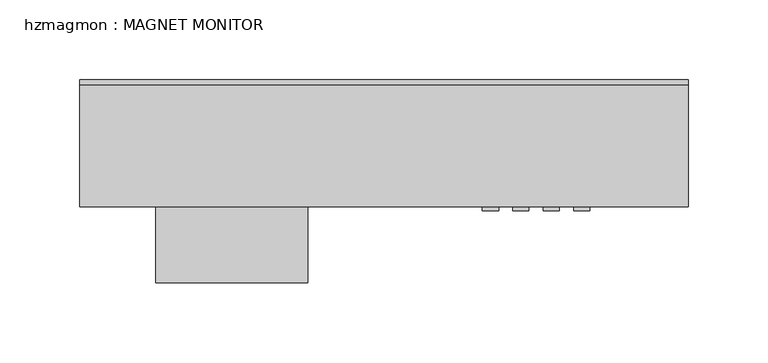
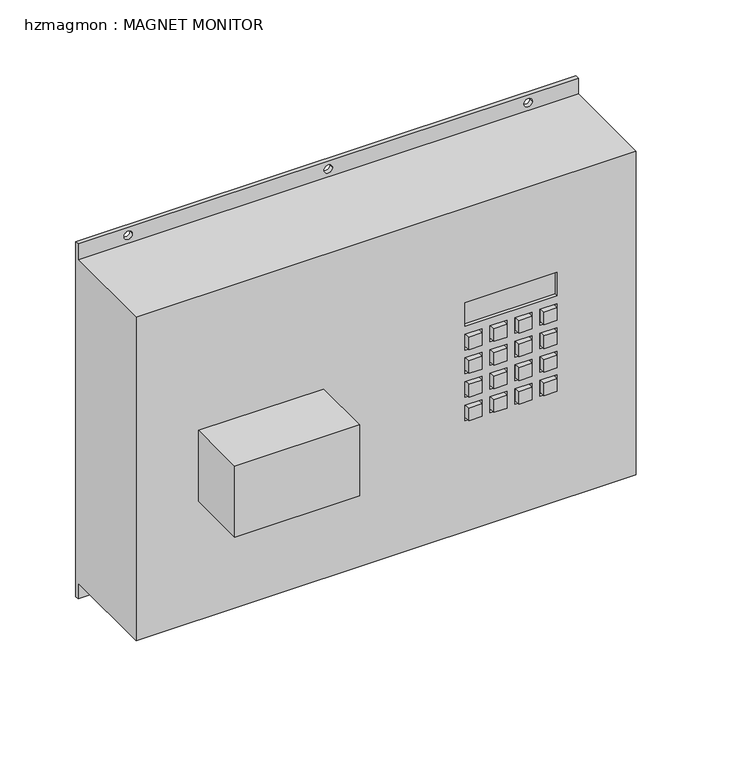
"""IFC4 building model written with IfcOpenShell, lengths in millimetres: proxy geometry, hzmagmon : MAGNET MONITOR."""

from ifc_helpers import new_model, si_unit, frame, origin, place, context, project, spatial, polyline, circle_curve, outline, extrude, source, transform, mapped, element, save
from ifc_brep_helpers import plane_surface, revolved_surface, advanced_brep


def hzmagmon_magnet_monitor_ca582a6c(model_context):
    return source(origin(), model_context, "Body", "SolidModel", [
        advanced_brep(
        [(190.5, 0.0, 1682.75), (190.5, -3.175, 1682.75), (190.5, -3.175, 1670.05), (190.5, -79.375, 1670.05), (190.5, -79.375, 1409.7), (190.5, -3.175, 1409.7), (190.5, -3.175, 1397.0), (190.5, 0.0, 1397.0), (-190.5, 0.0, 1682.75), (-190.5, 0.0, 1397.0), (-190.5, -3.175, 1397.0), (-190.5, -3.175, 1409.7), (-190.5, -79.375, 1409.7), (-190.5, -79.375, 1670.05), (-190.5, -3.175, 1670.05), (-190.5, -3.175, 1682.75), (-149.225, -3.175, 1676.4), (-155.575, -3.175, 1676.4), (3.175, -3.175, 1676.4), (-3.175, -3.175, 1676.4), (149.225, -3.175, 1676.4), (155.575, -3.175, 1676.4), (149.225, -3.175, 1403.35), (155.575, -3.175, 1403.35), (3.175, -3.175, 1403.35), (-3.175, -3.175, 1403.35), (-149.225, -3.175, 1403.35), (-155.575, -3.175, 1403.35), (-155.575, 0.0, 1676.4), (-149.225, 0.0, 1676.4), (-3.175, 0.0, 1676.4), (3.175, 0.0, 1676.4), (155.575, 0.0, 1676.4), (149.225, 0.0, 1676.4), (155.575, 0.0, 1403.35), (149.225, 0.0, 1403.35), (-3.175, 0.0, 1403.35), (3.175, 0.0, 1403.35), (-155.575, 0.0, 1403.35), (-149.225, 0.0, 1403.35), (130.175, -79.375, 1574.8), (60.325, -79.375, 1574.8), (60.325, -79.375, 1593.85), (130.175, -79.375, 1593.85), (73.025, -79.375, 1568.45), (73.025, -79.375, 1555.75), (60.325, -79.375, 1555.75), (60.325, -79.375, 1568.45), (79.375, -79.375, 1555.75), (79.375, -79.375, 1568.45), (92.075, -79.375, 1568.45), (92.075, -79.375, 1555.75), (98.425, -79.375, 1555.75), (98.425, -79.375, 1568.45), (111.125, -79.375, 1568.45), (111.125, -79.375, 1555.75), (117.475, -79.375, 1555.75), (117.475, -79.375, 1568.45), (130.175, -79.375, 1568.45), (130.175, -79.375, 1555.75), (117.475, -79.375, 1536.7), (117.475, -79.375, 1549.4), (130.175, -79.375, 1549.4), (130.175, -79.375, 1536.7), (111.125, -79.375, 1549.4), (111.125, -79.375, 1536.7), (98.425, -79.375, 1536.7), (98.425, -79.375, 1549.4), (92.075, -79.375, 1549.4), (92.075, -79.375, 1536.7), (79.375, -79.375, 1536.7), (79.375, -79.375, 1549.4), (73.025, -79.375, 1549.4), (73.025, -79.375, 1536.7), (60.325, -79.375, 1536.7), (60.325, -79.375, 1549.4), (73.025, -79.375, 1530.35), (73.025, -79.375, 1517.65), (60.325, -79.375, 1517.65), (60.325, -79.375, 1530.35), (73.025, -79.375, 1511.3), (73.025, -79.375, 1498.6), (60.325, -79.375, 1498.6), (60.325, -79.375, 1511.3), (79.375, -79.375, 1498.6), (79.375, -79.375, 1511.3), (92.075, -79.375, 1511.3), (92.075, -79.375, 1498.6), (98.425, -79.375, 1498.6), (98.425, -79.375, 1511.3), (111.125, -79.375, 1511.3), (111.125, -79.375, 1498.6), (92.075, -79.375, 1530.35), (92.075, -79.375, 1517.65), (79.375, -79.375, 1517.65), (79.375, -79.375, 1530.35), (98.425, -79.375, 1517.65), (98.425, -79.375, 1530.35), (111.125, -79.375, 1530.35), (111.125, -79.375, 1517.65), (117.475, -79.375, 1517.65), (117.475, -79.375, 1530.35), (130.175, -79.375, 1530.35), (130.175, -79.375, 1517.65), (117.475, -79.375, 1511.3), (130.175, -79.375, 1511.3), (130.175, -79.375, 1498.6), (117.475, -79.375, 1498.6), (-142.875, -79.375, 1562.1), (-47.625, -79.375, 1562.1), (-47.625, -79.375, 1504.95), (-142.875, -79.375, 1504.95), (60.325, -76.5525764, 1574.8), (130.175, -76.5525764, 1574.8), (130.175, -76.5525764, 1593.85), (60.325, -76.5525764, 1593.85), (73.025, -76.5525764, 1555.75), (73.025, -76.5525764, 1568.45), (60.325, -76.5525764, 1568.45), (60.325, -76.5525764, 1555.75), (79.375, -76.5525764, 1568.45), (79.375, -76.5525764, 1555.75), (92.075, -76.5525764, 1555.75), (92.075, -76.5525764, 1568.45), (98.425, -76.5525764, 1568.45), (98.425, -76.5525764, 1555.75), (111.125, -76.5525764, 1555.75), (111.125, -76.5525764, 1568.45), (117.475, -76.5525764, 1568.45), (117.475, -76.5525764, 1555.75), (130.175, -76.5525764, 1555.75), (130.175, -76.5525764, 1568.45), (117.475, -76.5525764, 1549.4), (117.475, -76.5525764, 1536.7), (130.175, -76.5525764, 1536.7), (130.175, -76.5525764, 1549.4), (111.125, -76.5525764, 1536.7), (111.125, -76.5525764, 1549.4), (98.425, -76.5525764, 1549.4), (98.425, -76.5525764, 1536.7), (92.075, -76.5525764, 1536.7), (92.075, -76.5525764, 1549.4), (79.375, -76.5525764, 1549.4), (79.375, -76.5525764, 1536.7), (73.025, -76.5525764, 1536.7), (73.025, -76.5525764, 1549.4), (60.325, -76.5525764, 1549.4), (60.325, -76.5525764, 1536.7), (73.025, -76.5525764, 1517.65), (73.025, -76.5525764, 1530.35), (60.325, -76.5525764, 1530.35), (60.325, -76.5525764, 1517.65), (73.025, -76.5525764, 1498.6), (73.025, -76.5525764, 1511.3), (60.325, -76.5525764, 1511.3), (60.325, -76.5525764, 1498.6), (79.375, -76.5525764, 1511.3), (79.375, -76.5525764, 1498.6), (92.075, -76.5525764, 1498.6), (92.075, -76.5525764, 1511.3), (98.425, -76.5525764, 1511.3), (98.425, -76.5525764, 1498.6), (111.125, -76.5525764, 1498.6), (111.125, -76.5525764, 1511.3), (92.075, -76.5525764, 1517.65), (92.075, -76.5525764, 1530.35), (79.375, -76.5525764, 1530.35), (79.375, -76.5525764, 1517.65), (98.425, -76.5525764, 1530.35), (98.425, -76.5525764, 1517.65), (111.125, -76.5525764, 1517.65), (111.125, -76.5525764, 1530.35), (117.475, -76.5525764, 1530.35), (117.475, -76.5525764, 1517.65), (130.175, -76.5525764, 1517.65), (130.175, -76.5525764, 1530.35), (130.175, -76.5525764, 1511.3), (117.475, -76.5525764, 1511.3), (117.475, -76.5525764, 1498.6), (130.175, -76.5525764, 1498.6), (-47.625, -127.0, 1562.1), (-142.875, -127.0, 1562.1), (-142.875, -127.0, 1504.95), (-47.625, -127.0, 1504.95)],
        [
            (0, 1),
            (1, 2),
            (2, 3),
            (3, 4),
            (4, 5),
            (5, 6),
            (6, 7),
            (7, 0),
            (8, 9),
            (9, 10),
            (10, 11),
            (11, 12),
            (12, 13),
            (13, 14),
            (14, 15),
            (15, 8),
            (0, 8),
            (15, 1),
            (14, 2),
            (16, 17, circle_curve(frame((-152.4, -3.175, 1676.4), z_axis=(0.0, 1.0, 0.0), x_axis=(1.0, 0.0, 0.0)), 3.175)),
            (17, 16, circle_curve(frame((-152.4, -3.175, 1676.4), z_axis=(0.0, 1.0, 0.0), x_axis=(1.0, 0.0, 0.0)), 3.175)),
            (18, 19, circle_curve(frame((0.0, -3.175, 1676.4), z_axis=(0.0, 1.0, 0.0), x_axis=(1.0, 0.0, 0.0)), 3.175)),
            (19, 18, circle_curve(frame((0.0, -3.175, 1676.4), z_axis=(0.0, 1.0, 0.0), x_axis=(1.0, 0.0, 0.0)), 3.175)),
            (20, 21, circle_curve(frame((152.4, -3.175, 1676.4), z_axis=(0.0, 1.0, 0.0), x_axis=(-1.0, 0.0, 0.0)), 3.175)),
            (21, 20, circle_curve(frame((152.4, -3.175, 1676.4), z_axis=(0.0, 1.0, 0.0), x_axis=(-1.0, 0.0, 0.0)), 3.175)),
            (10, 6),
            (5, 11),
            (22, 23, circle_curve(frame((152.4, -3.175, 1403.35), z_axis=(0.0, 1.0, 0.0), x_axis=(-1.0, 0.0, 0.0)), 3.175)),
            (23, 22, circle_curve(frame((152.4, -3.175, 1403.35), z_axis=(0.0, 1.0, 0.0), x_axis=(-1.0, 0.0, 0.0)), 3.175)),
            (24, 25, circle_curve(frame((0.0, -3.175, 1403.35), z_axis=(0.0, 1.0, 0.0), x_axis=(1.0, 0.0, 0.0)), 3.175)),
            (25, 24, circle_curve(frame((0.0, -3.175, 1403.35), z_axis=(0.0, 1.0, 0.0), x_axis=(1.0, 0.0, 0.0)), 3.175)),
            (26, 27, circle_curve(frame((-152.4, -3.175, 1403.35), z_axis=(0.0, 1.0, 0.0), x_axis=(1.0, 0.0, 0.0)), 3.175)),
            (27, 26, circle_curve(frame((-152.4, -3.175, 1403.35), z_axis=(0.0, 1.0, 0.0), x_axis=(1.0, 0.0, 0.0)), 3.175)),
            (9, 7),
            (28, 29, circle_curve(frame((-152.4, 0.0, 1676.4), z_axis=(0.0, -1.0, 0.0), x_axis=(1.0, 0.0, 0.0)), 3.175)),
            (29, 28, circle_curve(frame((-152.4, 0.0, 1676.4), z_axis=(0.0, -1.0, 0.0), x_axis=(1.0, 0.0, 0.0)), 3.175)),
            (30, 31, circle_curve(frame((0.0, 0.0, 1676.4), z_axis=(0.0, -1.0, 0.0), x_axis=(1.0, 0.0, 0.0)), 3.175)),
            (31, 30, circle_curve(frame((0.0, 0.0, 1676.4), z_axis=(0.0, -1.0, 0.0), x_axis=(1.0, 0.0, 0.0)), 3.175)),
            (32, 33, circle_curve(frame((152.4, 0.0, 1676.4), z_axis=(0.0, -1.0, 0.0), x_axis=(-1.0, 0.0, 0.0)), 3.175)),
            (33, 32, circle_curve(frame((152.4, 0.0, 1676.4), z_axis=(0.0, -1.0, 0.0), x_axis=(-1.0, 0.0, 0.0)), 3.175)),
            (34, 35, circle_curve(frame((152.4, 0.0, 1403.35), z_axis=(0.0, -1.0, 0.0), x_axis=(-1.0, 0.0, 0.0)), 3.175)),
            (35, 34, circle_curve(frame((152.4, 0.0, 1403.35), z_axis=(0.0, -1.0, 0.0), x_axis=(-1.0, 0.0, 0.0)), 3.175)),
            (36, 37, circle_curve(frame((0.0, 0.0, 1403.35), z_axis=(0.0, -1.0, 0.0), x_axis=(1.0, 0.0, 0.0)), 3.175)),
            (37, 36, circle_curve(frame((0.0, 0.0, 1403.35), z_axis=(0.0, -1.0, 0.0), x_axis=(1.0, 0.0, 0.0)), 3.175)),
            (38, 39, circle_curve(frame((-152.4, 0.0, 1403.35), z_axis=(0.0, -1.0, 0.0), x_axis=(1.0, 0.0, 0.0)), 3.175)),
            (39, 38, circle_curve(frame((-152.4, 0.0, 1403.35), z_axis=(0.0, -1.0, 0.0), x_axis=(1.0, 0.0, 0.0)), 3.175)),
            (3, 13),
            (12, 4),
            (40, 41),
            (41, 42),
            (42, 43),
            (43, 40),
            (44, 45),
            (45, 46),
            (46, 47),
            (47, 44),
            (48, 49),
            (49, 50),
            (50, 51),
            (51, 48),
            (52, 53),
            (53, 54),
            (54, 55),
            (55, 52),
            (56, 57),
            (57, 58),
            (58, 59),
            (59, 56),
            (60, 61),
            (61, 62),
            (62, 63),
            (63, 60),
            (64, 65),
            (65, 66),
            (66, 67),
            (67, 64),
            (68, 69),
            (69, 70),
            (70, 71),
            (71, 68),
            (72, 73),
            (73, 74),
            (74, 75),
            (75, 72),
            (76, 77),
            (77, 78),
            (78, 79),
            (79, 76),
            (80, 81),
            (81, 82),
            (82, 83),
            (83, 80),
            (84, 85),
            (85, 86),
            (86, 87),
            (87, 84),
            (88, 89),
            (89, 90),
            (90, 91),
            (91, 88),
            (92, 93),
            (93, 94),
            (94, 95),
            (95, 92),
            (96, 97),
            (97, 98),
            (98, 99),
            (99, 96),
            (100, 101),
            (101, 102),
            (102, 103),
            (103, 100),
            (104, 105),
            (105, 106),
            (106, 107),
            (107, 104),
            (108, 109),
            (109, 110),
            (110, 111),
            (111, 108),
            (112, 113),
            (113, 114),
            (114, 115),
            (115, 112),
            (116, 117),
            (117, 118),
            (118, 119),
            (119, 116),
            (120, 121),
            (121, 122),
            (122, 123),
            (123, 120),
            (124, 125),
            (125, 126),
            (126, 127),
            (127, 124),
            (128, 129),
            (129, 130),
            (130, 131),
            (131, 128),
            (132, 133),
            (133, 134),
            (134, 135),
            (135, 132),
            (136, 137),
            (137, 138),
            (138, 139),
            (139, 136),
            (140, 141),
            (141, 142),
            (142, 143),
            (143, 140),
            (144, 145),
            (145, 146),
            (146, 147),
            (147, 144),
            (148, 149),
            (149, 150),
            (150, 151),
            (151, 148),
            (152, 153),
            (153, 154),
            (154, 155),
            (155, 152),
            (156, 157),
            (157, 158),
            (158, 159),
            (159, 156),
            (160, 161),
            (161, 162),
            (162, 163),
            (163, 160),
            (164, 165),
            (165, 166),
            (166, 167),
            (167, 164),
            (168, 169),
            (169, 170),
            (170, 171),
            (171, 168),
            (172, 173),
            (173, 174),
            (174, 175),
            (175, 172),
            (176, 177),
            (177, 178),
            (178, 179),
            (179, 176),
            (112, 41),
            (40, 113),
            (43, 114),
            (42, 115),
            (116, 45),
            (44, 117),
            (47, 118),
            (46, 119),
            (120, 49),
            (48, 121),
            (51, 122),
            (50, 123),
            (124, 53),
            (52, 125),
            (55, 126),
            (54, 127),
            (128, 57),
            (56, 129),
            (59, 130),
            (58, 131),
            (132, 61),
            (60, 133),
            (63, 134),
            (62, 135),
            (136, 65),
            (64, 137),
            (67, 138),
            (66, 139),
            (140, 69),
            (68, 141),
            (71, 142),
            (70, 143),
            (144, 73),
            (72, 145),
            (75, 146),
            (74, 147),
            (148, 77),
            (76, 149),
            (79, 150),
            (78, 151),
            (152, 81),
            (80, 153),
            (83, 154),
            (82, 155),
            (156, 85),
            (84, 157),
            (87, 158),
            (86, 159),
            (160, 89),
            (88, 161),
            (91, 162),
            (90, 163),
            (164, 93),
            (92, 165),
            (95, 166),
            (94, 167),
            (168, 97),
            (96, 169),
            (99, 170),
            (98, 171),
            (172, 101),
            (100, 173),
            (103, 174),
            (102, 175),
            (176, 105),
            (104, 177),
            (107, 178),
            (106, 179),
            (180, 181),
            (181, 182),
            (182, 183),
            (183, 180),
            (180, 109),
            (108, 181),
            (111, 182),
            (110, 183),
            (16, 29),
            (28, 17),
            (18, 31),
            (30, 19),
            (20, 33),
            (32, 21),
            (22, 35),
            (34, 23),
            (24, 37),
            (36, 25),
            (26, 39),
            (38, 27),
        ],
        [
            plane_surface(frame((190.5, -3.175, 1682.75), z_axis=(1.0, 0.0, 0.0), x_axis=(0.0, -1.0, 0.0))),
            plane_surface(frame((-190.5, -3.175, 1682.75), z_axis=(-1.0, 0.0, 0.0), x_axis=(0.0, 1.0, 0.0))),
            plane_surface(frame((190.5, 0.0, 1682.75), z_axis=(0.0, 0.0, 1.0), x_axis=(-1.0, 0.0, 0.0))),
            plane_surface(frame((190.5, -3.175, 1682.75), z_axis=(0.0, -1.0, 0.0), x_axis=(-1.0, 0.0, 0.0))),
            plane_surface(frame((190.5, -3.175, 1397.0), z_axis=(0.0, 0.0, -1.0), x_axis=(-1.0, 0.0, 0.0))),
            plane_surface(frame((190.5, 0.0, 1397.0), z_axis=(0.0, 1.0, 0.0), x_axis=(-1.0, 0.0, 0.0))),
            plane_surface(frame((-190.5, -79.375, 1670.05), z_axis=(0.0, -1.0, 0.0), x_axis=(-1.0, 0.0, 0.0))),
            plane_surface(frame((190.5, -79.375, 1670.05), z_axis=(0.0, 0.0, 1.0), x_axis=(0.0, 1.0, 0.0))),
            plane_surface(frame((-190.5, -79.375, 1409.7), z_axis=(0.0, 0.0, -1.0), x_axis=(0.0, 1.0, 0.0))),
            plane_surface(frame((130.175, -76.5525764, 1574.8), z_axis=(0.0, -1.0, 0.0), x_axis=(-1.0, 0.0, 0.0))),
            plane_surface(frame((60.325, -79.375, 1574.8), z_axis=(0.0, 0.0, 1.0), x_axis=(0.0, 1.0, 0.0))),
            plane_surface(frame((130.175, -79.375, 1574.8), z_axis=(-1.0, 0.0, 0.0), x_axis=(0.0, 1.0, 0.0))),
            plane_surface(frame((130.175, -79.375, 1593.85), z_axis=(0.0, 0.0, -1.0), x_axis=(0.0, 1.0, 0.0))),
            plane_surface(frame((60.325, -79.375, 1593.85), z_axis=(1.0, 0.0, 0.0), x_axis=(0.0, 1.0, 0.0))),
            plane_surface(frame((73.025, -79.375, 1555.75), z_axis=(-1.0, 0.0, 0.0), x_axis=(0.0, 1.0, 0.0))),
            plane_surface(frame((73.025, -79.375, 1568.45), z_axis=(0.0, 0.0, -1.0), x_axis=(0.0, 1.0, 0.0))),
            plane_surface(frame((60.325, -79.375, 1568.45), z_axis=(1.0, 0.0, 0.0), x_axis=(0.0, 1.0, 0.0))),
            plane_surface(frame((60.325, -79.375, 1555.75), z_axis=(0.0, 0.0, 1.0), x_axis=(0.0, 1.0, 0.0))),
            plane_surface(frame((79.375, -79.375, 1568.45), z_axis=(1.0, 0.0, 0.0), x_axis=(0.0, 1.0, 0.0))),
            plane_surface(frame((79.375, -79.375, 1555.75), z_axis=(0.0, 0.0, 1.0), x_axis=(0.0, 1.0, 0.0))),
            plane_surface(frame((92.075, -79.375, 1555.75), z_axis=(-1.0, 0.0, 0.0), x_axis=(0.0, 1.0, 0.0))),
            plane_surface(frame((92.075, -79.375, 1568.45), z_axis=(0.0, 0.0, -1.0), x_axis=(0.0, 1.0, 0.0))),
            plane_surface(frame((98.425, -79.375, 1568.45), z_axis=(1.0, 0.0, 0.0), x_axis=(0.0, 1.0, 0.0))),
            plane_surface(frame((98.425, -79.375, 1555.75), z_axis=(0.0, 0.0, 1.0), x_axis=(0.0, 1.0, 0.0))),
            plane_surface(frame((111.125, -79.375, 1555.75), z_axis=(-1.0, 0.0, 0.0), x_axis=(0.0, 1.0, 0.0))),
            plane_surface(frame((111.125, -79.375, 1568.45), z_axis=(0.0, 0.0, -1.0), x_axis=(0.0, 1.0, 0.0))),
            plane_surface(frame((117.475, -79.375, 1568.45), z_axis=(1.0, 0.0, 0.0), x_axis=(0.0, 1.0, 0.0))),
            plane_surface(frame((117.475, -79.375, 1555.75), z_axis=(0.0, 0.0, 1.0), x_axis=(0.0, 1.0, 0.0))),
            plane_surface(frame((130.175, -79.375, 1555.75), z_axis=(-1.0, 0.0, 0.0), x_axis=(0.0, 1.0, 0.0))),
            plane_surface(frame((130.175, -79.375, 1568.45), z_axis=(0.0, 0.0, -1.0), x_axis=(0.0, 1.0, 0.0))),
            plane_surface(frame((117.475, -79.375, 1549.4), z_axis=(1.0, 0.0, 0.0), x_axis=(0.0, 1.0, 0.0))),
            plane_surface(frame((117.475, -79.375, 1536.7), z_axis=(0.0, 0.0, 1.0), x_axis=(0.0, 1.0, 0.0))),
            plane_surface(frame((130.175, -79.375, 1536.7), z_axis=(-1.0, 0.0, 0.0), x_axis=(0.0, 1.0, 0.0))),
            plane_surface(frame((130.175, -79.375, 1549.4), z_axis=(0.0, 0.0, -1.0), x_axis=(0.0, 1.0, 0.0))),
            plane_surface(frame((111.125, -79.375, 1536.7), z_axis=(-1.0, 0.0, 0.0), x_axis=(0.0, 1.0, 0.0))),
            plane_surface(frame((111.125, -79.375, 1549.4), z_axis=(0.0, 0.0, -1.0), x_axis=(0.0, 1.0, 0.0))),
            plane_surface(frame((98.425, -79.375, 1549.4), z_axis=(1.0, 0.0, 0.0), x_axis=(0.0, 1.0, 0.0))),
            plane_surface(frame((98.425, -79.375, 1536.7), z_axis=(0.0, 0.0, 1.0), x_axis=(0.0, 1.0, 0.0))),
            plane_surface(frame((92.075, -79.375, 1536.7), z_axis=(-1.0, 0.0, 0.0), x_axis=(0.0, 1.0, 0.0))),
            plane_surface(frame((92.075, -79.375, 1549.4), z_axis=(0.0, 0.0, -1.0), x_axis=(0.0, 1.0, 0.0))),
            plane_surface(frame((79.375, -79.375, 1549.4), z_axis=(1.0, 0.0, 0.0), x_axis=(0.0, 1.0, 0.0))),
            plane_surface(frame((79.375, -79.375, 1536.7), z_axis=(0.0, 0.0, 1.0), x_axis=(0.0, 1.0, 0.0))),
            plane_surface(frame((73.025, -79.375, 1536.7), z_axis=(-1.0, 0.0, 0.0), x_axis=(0.0, 1.0, 0.0))),
            plane_surface(frame((73.025, -79.375, 1549.4), z_axis=(0.0, 0.0, -1.0), x_axis=(0.0, 1.0, 0.0))),
            plane_surface(frame((60.325, -79.375, 1549.4), z_axis=(1.0, 0.0, 0.0), x_axis=(0.0, 1.0, 0.0))),
            plane_surface(frame((60.325, -79.375, 1536.7), z_axis=(0.0, 0.0, 1.0), x_axis=(0.0, 1.0, 0.0))),
            plane_surface(frame((73.025, -79.375, 1517.65), z_axis=(-1.0, 0.0, 0.0), x_axis=(0.0, 1.0, 0.0))),
            plane_surface(frame((73.025, -79.375, 1530.35), z_axis=(0.0, 0.0, -1.0), x_axis=(0.0, 1.0, 0.0))),
            plane_surface(frame((60.325, -79.375, 1530.35), z_axis=(1.0, 0.0, 0.0), x_axis=(0.0, 1.0, 0.0))),
            plane_surface(frame((60.325, -79.375, 1517.65), z_axis=(0.0, 0.0, 1.0), x_axis=(0.0, 1.0, 0.0))),
            plane_surface(frame((73.025, -79.375, 1498.6), z_axis=(-1.0, 0.0, 0.0), x_axis=(0.0, 1.0, 0.0))),
            plane_surface(frame((73.025, -79.375, 1511.3), z_axis=(0.0, 0.0, -1.0), x_axis=(0.0, 1.0, 0.0))),
            plane_surface(frame((60.325, -79.375, 1511.3), z_axis=(1.0, 0.0, 0.0), x_axis=(0.0, 1.0, 0.0))),
            plane_surface(frame((60.325, -79.375, 1498.6), z_axis=(0.0, 0.0, 1.0), x_axis=(0.0, 1.0, 0.0))),
            plane_surface(frame((79.375, -79.375, 1511.3), z_axis=(1.0, 0.0, 0.0), x_axis=(0.0, 1.0, 0.0))),
            plane_surface(frame((79.375, -79.375, 1498.6), z_axis=(0.0, 0.0, 1.0), x_axis=(0.0, 1.0, 0.0))),
            plane_surface(frame((92.075, -79.375, 1498.6), z_axis=(-1.0, 0.0, 0.0), x_axis=(0.0, 1.0, 0.0))),
            plane_surface(frame((92.075, -79.375, 1511.3), z_axis=(0.0, 0.0, -1.0), x_axis=(0.0, 1.0, 0.0))),
            plane_surface(frame((98.425, -79.375, 1511.3), z_axis=(1.0, 0.0, 0.0), x_axis=(0.0, 1.0, 0.0))),
            plane_surface(frame((98.425, -79.375, 1498.6), z_axis=(0.0, 0.0, 1.0), x_axis=(0.0, 1.0, 0.0))),
            plane_surface(frame((111.125, -79.375, 1498.6), z_axis=(-1.0, 0.0, 0.0), x_axis=(0.0, 1.0, 0.0))),
            plane_surface(frame((111.125, -79.375, 1511.3), z_axis=(0.0, 0.0, -1.0), x_axis=(0.0, 1.0, 0.0))),
            plane_surface(frame((92.075, -79.375, 1517.65), z_axis=(-1.0, 0.0, 0.0), x_axis=(0.0, 1.0, 0.0))),
            plane_surface(frame((92.075, -79.375, 1530.35), z_axis=(0.0, 0.0, -1.0), x_axis=(0.0, 1.0, 0.0))),
            plane_surface(frame((79.375, -79.375, 1530.35), z_axis=(1.0, 0.0, 0.0), x_axis=(0.0, 1.0, 0.0))),
            plane_surface(frame((79.375, -79.375, 1517.65), z_axis=(0.0, 0.0, 1.0), x_axis=(0.0, 1.0, 0.0))),
            plane_surface(frame((98.425, -79.375, 1530.35), z_axis=(1.0, 0.0, 0.0), x_axis=(0.0, 1.0, 0.0))),
            plane_surface(frame((98.425, -79.375, 1517.65), z_axis=(0.0, 0.0, 1.0), x_axis=(0.0, 1.0, 0.0))),
            plane_surface(frame((111.125, -79.375, 1517.65), z_axis=(-1.0, 0.0, 0.0), x_axis=(0.0, 1.0, 0.0))),
            plane_surface(frame((111.125, -79.375, 1530.35), z_axis=(0.0, 0.0, -1.0), x_axis=(0.0, 1.0, 0.0))),
            plane_surface(frame((117.475, -79.375, 1530.35), z_axis=(1.0, 0.0, 0.0), x_axis=(0.0, 1.0, 0.0))),
            plane_surface(frame((117.475, -79.375, 1517.65), z_axis=(0.0, 0.0, 1.0), x_axis=(0.0, 1.0, 0.0))),
            plane_surface(frame((130.175, -79.375, 1517.65), z_axis=(-1.0, 0.0, 0.0), x_axis=(0.0, 1.0, 0.0))),
            plane_surface(frame((130.175, -79.375, 1530.35), z_axis=(0.0, 0.0, -1.0), x_axis=(0.0, 1.0, 0.0))),
            plane_surface(frame((130.175, -79.375, 1511.3), z_axis=(0.0, 0.0, -1.0), x_axis=(0.0, 1.0, 0.0))),
            plane_surface(frame((117.475, -79.375, 1511.3), z_axis=(1.0, 0.0, 0.0), x_axis=(0.0, 1.0, 0.0))),
            plane_surface(frame((117.475, -79.375, 1498.6), z_axis=(0.0, 0.0, 1.0), x_axis=(0.0, 1.0, 0.0))),
            plane_surface(frame((130.175, -79.375, 1498.6), z_axis=(-1.0, 0.0, 0.0), x_axis=(0.0, 1.0, 0.0))),
            plane_surface(frame((-142.875, -127.0, 1562.1), z_axis=(0.0, -1.0, 0.0), x_axis=(-1.0, 0.0, 0.0))),
            plane_surface(frame((-47.625, -127.0, 1562.1), z_axis=(0.0, 0.0, 1.0), x_axis=(0.0, 1.0, 0.0))),
            plane_surface(frame((-142.875, -127.0, 1562.1), z_axis=(-1.0, 0.0, 0.0), x_axis=(0.0, 1.0, 0.0))),
            plane_surface(frame((-142.875, -127.0, 1504.95), z_axis=(0.0, 0.0, -1.0), x_axis=(0.0, 1.0, 0.0))),
            plane_surface(frame((-47.625, -127.0, 1504.95), z_axis=(1.0, 0.0, 0.0), x_axis=(0.0, 1.0, 0.0))),
            revolved_surface(polyline([(-149.225, -3.175, 1676.4), (-149.225, 0.0, 1676.4)]), (-152.4, 0.0, 1676.4), (0.0, -1.0, 0.0)),
            revolved_surface(polyline([(3.175, -3.175, 1676.4), (3.175, 0.0, 1676.4)]), (0.0, 0.0, 1676.4), (0.0, -1.0, 0.0)),
            revolved_surface(polyline([(149.225, -3.175, 1676.4), (149.225, 0.0, 1676.4)]), (152.4, 0.0, 1676.4), (0.0, -1.0, 0.0)),
            revolved_surface(polyline([(149.225, -3.175, 1403.35), (149.225, 0.0, 1403.35)]), (152.4, 0.0, 1403.35), (0.0, -1.0, 0.0)),
            revolved_surface(polyline([(3.175, -3.175, 1403.35), (3.175, 0.0, 1403.35)]), (0.0, 0.0, 1403.35), (0.0, -1.0, 0.0)),
            revolved_surface(polyline([(-149.225, -3.175, 1403.35), (-149.225, 0.0, 1403.35)]), (-152.4, 0.0, 1403.35), (0.0, -1.0, 0.0)),
        ],
        [
            (0, [[1, 2, 3, 4, 5, 6, 7, 8]]),
            (1, [[9, 10, 11, 12, 13, 14, 15, 16]]),
            (2, [[-1, 17, -16, 18]]),
            (3, [[-18, -15, 19, -2], [20, 21], [22, 23], [24, 25]]),
            (3, [[26, -6, 27, -11], [28, 29], [30, 31], [32, 33]]),
            (4, [[-7, -26, -10, 34]]),
            (5, [[-8, -34, -9, -17], [35, 36], [37, 38], [39, 40], [41, 42], [43, 44], [45, 46]]),
            (6, [[47, -13, 48, -4], [49, 50, 51, 52], [53, 54, 55, 56], [57, 58, 59, 60], [61, 62, 63, 64], [65, 66, 67, 68], [69, 70, 71, 72], [73, 74, 75, 76], [77, 78, 79, 80], [81, 82, 83, 84], [85, 86, 87, 88], [89, 90, 91, 92], [93, 94, 95, 96], [97, 98, 99, 100], [101, 102, 103, 104], [105, 106, 107, 108], [109, 110, 111, 112], [113, 114, 115, 116], [117, 118, 119, 120]]),
            (7, [[-47, -3, -19, -14]]),
            (8, [[-48, -12, -27, -5]]),
            (9, [[121, 122, 123, 124]]),
            (9, [[125, 126, 127, 128]]),
            (9, [[129, 130, 131, 132]]),
            (9, [[133, 134, 135, 136]]),
            (9, [[137, 138, 139, 140]]),
            (9, [[141, 142, 143, 144]]),
            (9, [[145, 146, 147, 148]]),
            (9, [[149, 150, 151, 152]]),
            (9, [[153, 154, 155, 156]]),
            (9, [[157, 158, 159, 160]]),
            (9, [[161, 162, 163, 164]]),
            (9, [[165, 166, 167, 168]]),
            (9, [[169, 170, 171, 172]]),
            (9, [[173, 174, 175, 176]]),
            (9, [[177, 178, 179, 180]]),
            (9, [[181, 182, 183, 184]]),
            (9, [[185, 186, 187, 188]]),
            (10, [[-121, 189, -49, 190]]),
            (11, [[-122, -190, -52, 191]]),
            (12, [[-123, -191, -51, 192]]),
            (13, [[-124, -192, -50, -189]]),
            (14, [[-125, 193, -53, 194]]),
            (15, [[-126, -194, -56, 195]]),
            (16, [[-127, -195, -55, 196]]),
            (17, [[-128, -196, -54, -193]]),
            (18, [[-129, 197, -57, 198]]),
            (19, [[-130, -198, -60, 199]]),
            (20, [[-131, -199, -59, 200]]),
            (21, [[-132, -200, -58, -197]]),
            (22, [[-133, 201, -61, 202]]),
            (23, [[-134, -202, -64, 203]]),
            (24, [[-135, -203, -63, 204]]),
            (25, [[-136, -204, -62, -201]]),
            (26, [[-137, 205, -65, 206]]),
            (27, [[-138, -206, -68, 207]]),
            (28, [[-139, -207, -67, 208]]),
            (29, [[-140, -208, -66, -205]]),
            (30, [[-141, 209, -69, 210]]),
            (31, [[-142, -210, -72, 211]]),
            (32, [[-143, -211, -71, 212]]),
            (33, [[-144, -212, -70, -209]]),
            (34, [[-145, 213, -73, 214]]),
            (35, [[-146, -214, -76, 215]]),
            (36, [[-147, -215, -75, 216]]),
            (37, [[-148, -216, -74, -213]]),
            (38, [[-149, 217, -77, 218]]),
            (39, [[-150, -218, -80, 219]]),
            (40, [[-151, -219, -79, 220]]),
            (41, [[-152, -220, -78, -217]]),
            (42, [[-153, 221, -81, 222]]),
            (43, [[-154, -222, -84, 223]]),
            (44, [[-155, -223, -83, 224]]),
            (45, [[-156, -224, -82, -221]]),
            (46, [[-157, 225, -85, 226]]),
            (47, [[-158, -226, -88, 227]]),
            (48, [[-159, -227, -87, 228]]),
            (49, [[-160, -228, -86, -225]]),
            (50, [[-161, 229, -89, 230]]),
            (51, [[-162, -230, -92, 231]]),
            (52, [[-163, -231, -91, 232]]),
            (53, [[-164, -232, -90, -229]]),
            (54, [[-165, 233, -93, 234]]),
            (55, [[-166, -234, -96, 235]]),
            (56, [[-167, -235, -95, 236]]),
            (57, [[-168, -236, -94, -233]]),
            (58, [[-169, 237, -97, 238]]),
            (59, [[-170, -238, -100, 239]]),
            (60, [[-171, -239, -99, 240]]),
            (61, [[-172, -240, -98, -237]]),
            (62, [[-173, 241, -101, 242]]),
            (63, [[-174, -242, -104, 243]]),
            (64, [[-175, -243, -103, 244]]),
            (65, [[-176, -244, -102, -241]]),
            (66, [[-177, 245, -105, 246]]),
            (67, [[-178, -246, -108, 247]]),
            (68, [[-179, -247, -107, 248]]),
            (69, [[-180, -248, -106, -245]]),
            (70, [[-181, 249, -109, 250]]),
            (71, [[-182, -250, -112, 251]]),
            (72, [[-183, -251, -111, 252]]),
            (73, [[-184, -252, -110, -249]]),
            (74, [[-185, 253, -113, 254]]),
            (75, [[-186, -254, -116, 255]]),
            (76, [[-187, -255, -115, 256]]),
            (77, [[-188, -256, -114, -253]]),
            (78, [[257, 258, 259, 260]]),
            (79, [[-257, 261, -117, 262]]),
            (80, [[-258, -262, -120, 263]]),
            (81, [[-259, -263, -119, 264]]),
            (82, [[-260, -264, -118, -261]]),
            (83, [[265, -35, 266, -20]]),
            (83, [[-265, -21, -266, -36]]),
            (84, [[267, -37, 268, -22]]),
            (84, [[-267, -23, -268, -38]]),
            (85, [[269, -39, 270, -24]]),
            (85, [[-269, -25, -270, -40]]),
            (86, [[271, -41, 272, -28]]),
            (86, [[-271, -29, -272, -42]]),
            (87, [[273, -43, 274, -30]]),
            (87, [[-273, -31, -274, -44]]),
            (88, [[275, -45, 276, -32]]),
            (88, [[-275, -33, -276, -46]]),
        ],
    ),
        extrude(outline(polyline([(71.755, -81.8832207), (61.595, -81.8832207), (61.595, -76.5525764), (71.755, -76.5525764), (71.755, -81.8832207)])), frame((0.0, 0.0, 1557.02), z_axis=(0.0, 0.0, 1.0), x_axis=(1.0, 0.0, 0.0)), (0.0, 0.0, 1.0), 10.16),
        extrude(outline(polyline([(90.805, -81.8832207), (80.645, -81.8832207), (80.645, -76.5525764), (90.805, -76.5525764), (90.805, -81.8832207)])), frame((0.0, 0.0, 1557.02), z_axis=(0.0, 0.0, 1.0), x_axis=(1.0, 0.0, 0.0)), (0.0, 0.0, 1.0), 10.16),
        extrude(outline(polyline([(109.855, -81.8832207), (99.695, -81.8832207), (99.695, -76.5525764), (109.855, -76.5525764), (109.855, -81.8832207)])), frame((0.0, 0.0, 1557.02), z_axis=(0.0, 0.0, 1.0), x_axis=(1.0, 0.0, 0.0)), (0.0, 0.0, 1.0), 10.16),
        extrude(outline(polyline([(128.905, -81.8832207), (118.745, -81.8832207), (118.745, -76.5525764), (128.905, -76.5525764), (128.905, -81.8832207)])), frame((0.0, 0.0, 1557.02), z_axis=(0.0, 0.0, 1.0), x_axis=(1.0, 0.0, 0.0)), (0.0, 0.0, 1.0), 10.16),
        extrude(outline(polyline([(71.755, -81.8832207), (61.595, -81.8832207), (61.595, -76.5525764), (71.755, -76.5525764), (71.755, -81.8832207)])), frame((0.0, 0.0, 1537.97), z_axis=(0.0, 0.0, 1.0), x_axis=(1.0, 0.0, 0.0)), (0.0, 0.0, 1.0), 10.16),
        extrude(outline(polyline([(90.805, -81.8832207), (80.645, -81.8832207), (80.645, -76.5525764), (90.805, -76.5525764), (90.805, -81.8832207)])), frame((0.0, 0.0, 1537.97), z_axis=(0.0, 0.0, 1.0), x_axis=(1.0, 0.0, 0.0)), (0.0, 0.0, 1.0), 10.16),
        extrude(outline(polyline([(109.855, -81.8832207), (99.695, -81.8832207), (99.695, -76.5525764), (109.855, -76.5525764), (109.855, -81.8832207)])), frame((0.0, 0.0, 1537.97), z_axis=(0.0, 0.0, 1.0), x_axis=(1.0, 0.0, 0.0)), (0.0, 0.0, 1.0), 10.16),
        extrude(outline(polyline([(128.905, -81.8832207), (118.745, -81.8832207), (118.745, -76.5525764), (128.905, -76.5525764), (128.905, -81.8832207)])), frame((0.0, 0.0, 1537.97), z_axis=(0.0, 0.0, 1.0), x_axis=(1.0, 0.0, 0.0)), (0.0, 0.0, 1.0), 10.16),
        extrude(outline(polyline([(71.755, -81.8832207), (61.595, -81.8832207), (61.595, -76.5525764), (71.755, -76.5525764), (71.755, -81.8832207)])), frame((0.0, 0.0, 1518.92), z_axis=(0.0, 0.0, 1.0), x_axis=(1.0, 0.0, 0.0)), (0.0, 0.0, 1.0), 10.16),
        extrude(outline(polyline([(71.755, -81.8832207), (61.595, -81.8832207), (61.595, -76.5525764), (71.755, -76.5525764), (71.755, -81.8832207)])), frame((0.0, 0.0, 1499.87), z_axis=(0.0, 0.0, 1.0), x_axis=(1.0, 0.0, 0.0)), (0.0, 0.0, 1.0), 10.16),
        extrude(outline(polyline([(90.805, -81.8832207), (80.645, -81.8832207), (80.645, -76.5525764), (90.805, -76.5525764), (90.805, -81.8832207)])), frame((0.0, 0.0, 1499.87), z_axis=(0.0, 0.0, 1.0), x_axis=(1.0, 0.0, 0.0)), (0.0, 0.0, 1.0), 10.16),
        extrude(outline(polyline([(109.855, -81.8832207), (99.695, -81.8832207), (99.695, -76.5525764), (109.855, -76.5525764), (109.855, -81.8832207)])), frame((0.0, 0.0, 1499.87), z_axis=(0.0, 0.0, 1.0), x_axis=(1.0, 0.0, 0.0)), (0.0, 0.0, 1.0), 10.16),
        extrude(outline(polyline([(128.905, -81.8832207), (118.745, -81.8832207), (118.745, -76.5525764), (128.905, -76.5525764), (128.905, -81.8832207)])), frame((0.0, 0.0, 1499.87), z_axis=(0.0, 0.0, 1.0), x_axis=(1.0, 0.0, 0.0)), (0.0, 0.0, 1.0), 10.16),
        extrude(outline(polyline([(90.805, -81.8832207), (80.645, -81.8832207), (80.645, -76.5525764), (90.805, -76.5525764), (90.805, -81.8832207)])), frame((0.0, 0.0, 1518.92), z_axis=(0.0, 0.0, 1.0), x_axis=(1.0, 0.0, 0.0)), (0.0, 0.0, 1.0), 10.16),
        extrude(outline(polyline([(109.855, -81.8832207), (99.695, -81.8832207), (99.695, -76.5525764), (109.855, -76.5525764), (109.855, -81.8832207)])), frame((0.0, 0.0, 1518.92), z_axis=(0.0, 0.0, 1.0), x_axis=(1.0, 0.0, 0.0)), (0.0, 0.0, 1.0), 10.16),
        extrude(outline(polyline([(128.905, -81.8832207), (118.745, -81.8832207), (118.745, -76.5525764), (128.905, -76.5525764), (128.905, -81.8832207)])), frame((0.0, 0.0, 1518.92), z_axis=(0.0, 0.0, 1.0), x_axis=(1.0, 0.0, 0.0)), (0.0, 0.0, 1.0), 10.16),
    ])


if __name__ == "__main__":
    model = new_model("IFC4")
    model_context = context("Model", 3, world=origin())
    ifc_project = project(units=[si_unit("LENGTHUNIT", "METRE", prefix="MILLI")], contexts=[model_context])
    site = spatial("IfcSite", under=ifc_project)
    building = spatial("IfcBuilding", under=site)
    placement = place(None, origin())
    hzmagmon_magnet_monitor_shape = hzmagmon_magnet_monitor_ca582a6c(model_context)
    element("IfcBuildingElementProxy", 1, Name="hzmagmon : MAGNET MONITOR", ObjectType="hzmagmon : MAGNET MONITOR", at=placement, inside=building, context=model_context, shape_type="MappedRepresentation", body=[
        mapped(hzmagmon_magnet_monitor_shape, transform((0.0, 0.0, 0.0), x_axis=(1.0, 0.0, 0.0), y_axis=(0.0, 1.0, 0.0), z_axis=(0.0, 0.0, 1.0))),
    ])
    save(model, "model.ifc")
